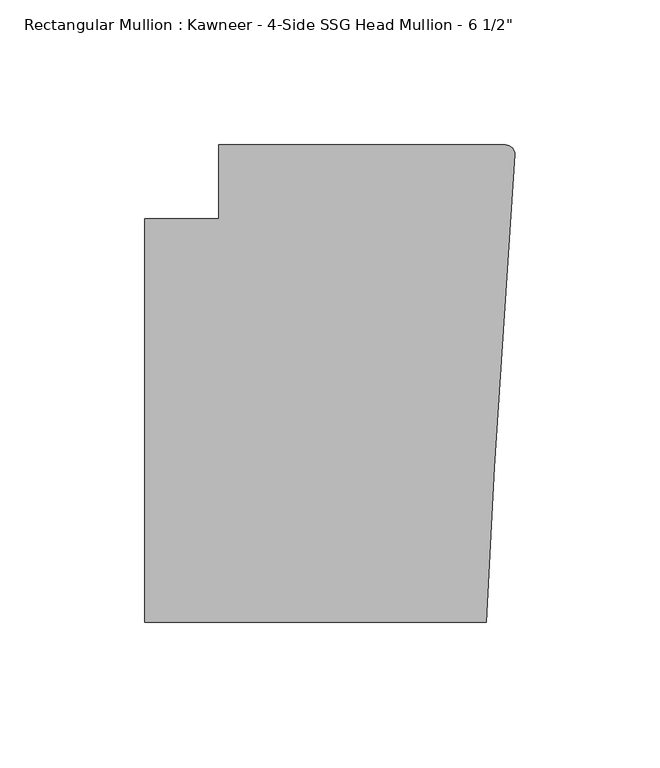
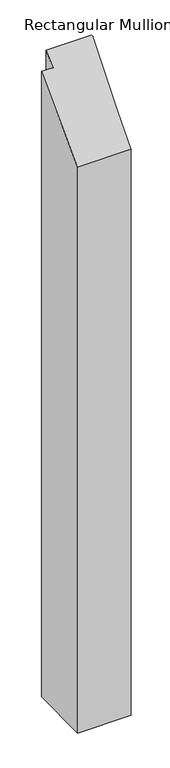
"""IFC4 building model written with IfcOpenShell, lengths in millimetres: member geometry."""

from ifc_helpers import new_model, si_unit, frame, origin, place, context, project, spatial, circle_curve, ellipse_curve, source, transform, mapped, element, save
from ifc_brep_helpers import plane_surface, cylinder_surface, advanced_brep


def member_5d8f3cd3(model_context):
    return source(origin(), model_context, "Body", "AdvancedBrep", [
        advanced_brep(
        [(-102.08978, 12.7, -1475.6865391), (-3.175, 12.7, -1475.6865391), (-0.006635, 9.3198462, -1475.6865391), (-6.9873394, -98.4891117, -1475.6865391), (-9.7860662, -151.892, -1475.6865391), (-127.4896668, -151.892, -1475.6865391), (-127.4896668, -12.7, -1475.6865391), (-102.08978, -12.7, -1475.6865391), (-102.08978, -12.7, -12.7), (-102.08978, 12.7, 12.7), (-127.4896668, -12.7, -12.7), (-127.4896668, -151.892, -151.892), (-9.7860662, -151.892, -151.892), (-6.9873394, -98.4891117, -98.4891117), (-0.006635, 9.3198462, 9.3198462), (-3.175, 12.7, 12.7)],
        [
            (0, 1),
            (1, 2, circle_curve(frame((-3.175, 9.525, -1475.6865391), z_axis=(0.0, 0.0, -1.0), x_axis=(0.0, 1.0, 0.0)), 3.175)),
            (2, 3),
            (3, 4),
            (4, 5),
            (5, 6),
            (6, 7),
            (7, 0),
            (8, 9),
            (9, 0),
            (7, 8),
            (10, 8),
            (6, 10),
            (11, 10),
            (5, 11),
            (12, 11),
            (4, 12),
            (13, 12),
            (3, 13),
            (14, 13),
            (2, 14),
            (15, 14, ellipse_curve(frame((-3.175, 9.525, 9.525), z_axis=(0.0, 0.7071067811865481, -0.707106781186547), x_axis=(0.0, 0.7071067811865469, 0.707106781186548)), 4.4901281, 3.175)),
            (1, 15),
            (9, 15),
        ],
        [
            plane_surface(frame((0.0, -198.3048028, -1475.6865391), z_axis=(0.0, 0.0, -1.0), x_axis=(-1.0, 0.0, 0.0))),
            plane_surface(frame((-102.08978, 12.7, 0.0), z_axis=(-1.0, 0.0, 0.0), x_axis=(0.0, 0.0, -1.0))),
            plane_surface(frame((-102.08978, -12.7, 0.0), z_axis=(0.0, 1.0, 0.0), x_axis=(0.0, 0.0, -1.0))),
            plane_surface(frame((-127.4896668, -12.7, 0.0), z_axis=(-1.0, 0.0, 0.0), x_axis=(0.0, 0.0, -1.0))),
            plane_surface(frame((-127.4896668, -151.892, 0.0), z_axis=(0.0, -1.0, 0.0), x_axis=(0.0, 0.0, -1.0))),
            plane_surface(frame((-9.7860662, -151.892, 0.0), z_axis=(0.9986295347545738, -0.05233595624294541, 0.0), x_axis=(0.0, 0.0, -1.0))),
            plane_surface(frame((-6.9873394, -98.4891117, 0.0), z_axis=(0.9979102429769694, -0.06461537712995265, 0.0), x_axis=(0.0, 0.0, -1.0))),
            cylinder_surface(frame((-3.175, 9.525, 0.0), z_axis=(0.0, 0.0, 1.0), x_axis=(0.0, 1.0, 0.0)), 3.175),
            plane_surface(frame((-3.175, 12.7, 0.0), z_axis=(0.0, 1.0, 0.0), x_axis=(0.0, 0.0, -1.0))),
            plane_surface(frame((304.8, 0.0, 0.0), z_axis=(0.0, -0.7071067811865481, 0.707106781186547), x_axis=(0.0, -0.707106781186547, -0.7071067811865481))),
        ],
        [
            (0, [[1, 2, 3, 4, 5, 6, 7, 8]]),
            (1, [[9, 10, -8, 11]]),
            (2, [[12, -11, -7, 13]]),
            (3, [[14, -13, -6, 15]]),
            (4, [[16, -15, -5, 17]]),
            (5, [[18, -17, -4, 19]]),
            (6, [[20, -19, -3, 21]]),
            (7, [[22, -21, -2, 23]]),
            (8, [[24, -23, -1, -10]]),
            (9, [[-9, -12, -14, -16, -18, -20, -22, -24]]),
        ],
    ),
    ])


if __name__ == "__main__":
    model = new_model("IFC4")
    model_context = context("Model", 3, world=origin())
    ifc_project = project(units=[si_unit("LENGTHUNIT", "METRE", prefix="MILLI")], contexts=[model_context])
    site = spatial("IfcSite", under=ifc_project)
    building = spatial("IfcBuilding", under=site)
    placement = place(None, origin())
    member_shape = member_5d8f3cd3(model_context)
    element("IfcMember", 1, ObjectType="Rectangular Mullion : Kawneer - 4-Side SSG Head Mullion - 6 1/2\"", at=placement, inside=building, context=model_context, shape_type="MappedRepresentation", body=[
        mapped(member_shape, transform((0.0, 0.0, 0.0), x_axis=(1.0, 0.0, 0.0), y_axis=(0.0, 1.0, 0.0), z_axis=(0.0, 0.0, 1.0))),
    ])
    save(model, "model.ifc")
